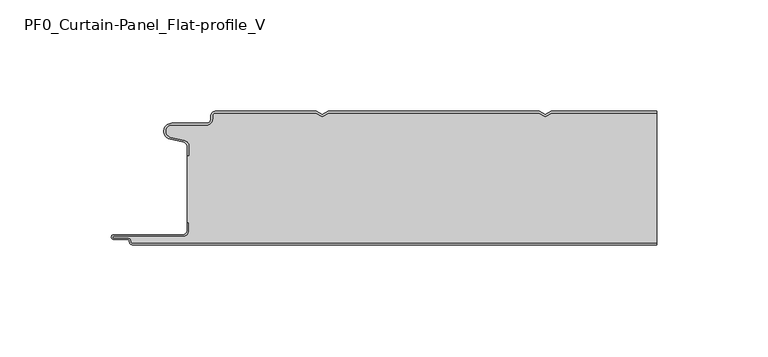
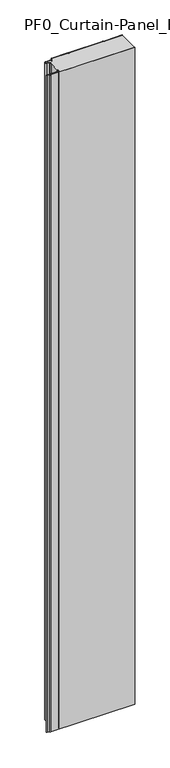
"""IFC4 building model written with IfcOpenShell, lengths in millimetres: plate geometry, PF0_Curtain-Panel_Flat-profile_V."""

from ifc_helpers import new_model, si_unit, point, frame_2d, origin, origin_with_axes, place, context, project, spatial, polyline, circle_curve, trimmed, segment, composite_curve, outline, extrude, source, transform, mapped, element, save


def pf0_curtain_panel_flat_profile_v_9dc8aae9(model_context):
    return source(origin(), model_context, "Body", "SweptSolid", [
        extrude(outline(composite_curve([segment(trimmed(circle_curve(frame_2d((-102.0119739, -15.878557)), 2.0), [point((-100.0119739, -15.878557))], [point((-101.5620718, -13.9298169))], True, "CARTESIAN"), True, "CONTINUOUS"), segment(polyline([(-101.5620718, -13.9298169), (-107.7217978, -12.507732)]), True, "CONTINUOUS"), segment(trimmed(circle_curve(frame_2d((-106.9119739, -9.0)), 3.6), [point((-107.7217978, -12.507732))], [point((-106.9119739, -5.4))], False, "CARTESIAN"), True, "CONTINUOUS"), segment(polyline([(-106.9119739, -5.4), (-91.4119739, -5.4)]), True, "CONTINUOUS"), segment(trimmed(circle_curve(frame_2d((-91.4119739, -3.4)), 2.0), [point((-91.4119739, -5.4))], [point((-89.4119739, -3.4))], True, "CARTESIAN"), True, "CONTINUOUS"), segment(polyline([(-89.4119739, -3.4), (-89.4119739, -2.0)]), True, "CONTINUOUS"), segment(trimmed(circle_curve(frame_2d((-87.4119739, -2.0)), 2.0), [point((-89.4119739, -2.0))], [point((-87.4119739, 0.0))], False, "CARTESIAN"), True, "CONTINUOUS"), segment(polyline([(-87.4119739, 0.0), (-42.1119734, 0.0), (-39.4119739, -1.5588455), (-36.7119745, 0.0), (57.8880266, 0.0), (60.5880261, -1.5588455), (63.2880255, 0.0), (110.6119739, 0.0), (110.6119739, -0.8), (63.5023849, -0.8), (60.5880261, -2.482606), (57.6736672, -0.8), (-36.4976151, -0.8), (-39.4119739, -2.482606), (-42.3263328, -0.8), (-87.4119739, -0.8)]), True, "CONTINUOUS"), segment(trimmed(circle_curve(frame_2d((-87.4119739, -2.0)), 1.2), [point((-87.4119739, -0.8))], [point((-88.6119739, -2.0))], True, "CARTESIAN"), True, "CONTINUOUS"), segment(polyline([(-88.6119739, -2.0), (-88.6119739, -3.4)]), True, "CONTINUOUS"), segment(trimmed(circle_curve(frame_2d((-91.4119739, -3.4)), 2.8), [point((-88.6119739, -3.4))], [point((-91.4119739, -6.2))], False, "CARTESIAN"), True, "CONTINUOUS"), segment(polyline([(-91.4119739, -6.2), (-106.9119739, -6.2)]), True, "CONTINUOUS"), segment(trimmed(circle_curve(frame_2d((-106.9119739, -9.0)), 2.8), [point((-106.9119739, -6.2))], [point((-107.541837, -11.7282362))], True, "CARTESIAN"), True, "CONTINUOUS"), segment(polyline([(-107.541837, -11.7282362), (-101.3821109, -13.150321)]), True, "CONTINUOUS"), segment(trimmed(circle_curve(frame_2d((-102.0119739, -15.878557)), 2.8), [point((-101.3821109, -13.150321))], [point((-99.2119739, -15.878557))], False, "CARTESIAN"), True, "CONTINUOUS"), segment(polyline([(-99.2119739, -15.878557), (-99.2119739, -20.0), (-100.0119739, -20.0), (-100.0119739, -15.878557)]), True, "CONTINUOUS")], self_intersect=False)), origin_with_axes(), (0.0, 0.0, 1.0), 1945.7507136),
        extrude(outline(composite_curve([segment(polyline([(-99.2119739, -50.0), (-100.0119739, -50.0), (-100.0119739, -20.0), (-99.2119739, -20.0), (-99.2119739, -15.878557)]), True, "CONTINUOUS"), segment(trimmed(circle_curve(frame_2d((-102.0119739, -15.878557)), 2.8), [point((-99.2119739, -15.878557))], [point((-101.3821109, -13.1503208))], True, "CARTESIAN"), True, "CONTINUOUS"), segment(polyline([(-101.3821109, -13.1503208), (-107.5418369, -11.7282362)]), True, "CONTINUOUS"), segment(trimmed(circle_curve(frame_2d((-106.9119739, -9.0)), 2.8), [point((-107.5418369, -11.7282362))], [point((-106.9119739, -6.2))], False, "CARTESIAN"), True, "CONTINUOUS"), segment(polyline([(-106.9119739, -6.2), (-91.4119739, -6.2)]), True, "CONTINUOUS"), segment(trimmed(circle_curve(frame_2d((-91.4119739, -3.4)), 2.8), [point((-91.4119739, -6.2))], [point((-88.6119739, -3.4))], True, "CARTESIAN"), True, "CONTINUOUS"), segment(polyline([(-88.6119739, -3.4), (-88.6119739, -2.0)]), True, "CONTINUOUS"), segment(trimmed(circle_curve(frame_2d((-87.4119739, -2.0)), 1.2), [point((-88.6119739, -2.0))], [point((-87.4119739, -0.8))], False, "CARTESIAN"), True, "CONTINUOUS"), segment(polyline([(-87.4119739, -0.8), (-42.3263328, -0.8), (-39.4119739, -2.482606), (-36.4976151, -0.8), (57.6736672, -0.8), (60.5880261, -2.482606), (63.5023849, -0.8), (110.6119739, -0.8), (110.6119739, -59.2), (-124.4119739, -59.2)]), True, "CONTINUOUS"), segment(trimmed(circle_curve(frame_2d((-124.4119739, -58.4)), 0.8), [point((-124.4119739, -59.2))], [point((-125.2119739, -58.4))], False, "CARTESIAN"), True, "CONTINUOUS"), segment(trimmed(circle_curve(frame_2d((-126.9119739, -58.6133333)), 1.7133333), [point((-125.2119739, -58.4))], [point((-126.9119739, -56.9))], True, "CARTESIAN"), True, "CONTINUOUS"), segment(polyline([(-126.9119739, -56.9), (-132.8820051, -56.9)]), True, "CONTINUOUS"), segment(trimmed(circle_curve(frame_2d((-132.8820051, -56.6)), 0.3), [point((-132.8820051, -56.9))], [point((-132.8820051, -56.3))], False, "CARTESIAN"), True, "CONTINUOUS"), segment(polyline([(-132.8820051, -56.3), (-102.0119739, -56.3)]), True, "CONTINUOUS"), segment(trimmed(circle_curve(frame_2d((-102.0119739, -53.5)), 2.8), [point((-102.0119739, -56.3))], [point((-99.2119739, -53.5))], True, "CARTESIAN"), True, "CONTINUOUS"), segment(polyline([(-99.2119739, -53.5), (-99.2119739, -50.0)]), True, "CONTINUOUS")], self_intersect=False)), origin_with_axes(), (0.0, 0.0, 1.0), 1945.7507136),
        extrude(outline(composite_curve([segment(polyline([(-100.0119739, -50.0), (-99.2119739, -50.0), (-99.2119739, -53.5)]), True, "CONTINUOUS"), segment(trimmed(circle_curve(frame_2d((-102.0119739, -53.5)), 2.8), [point((-99.2119739, -53.5))], [point((-102.0119739, -56.3))], False, "CARTESIAN"), True, "CONTINUOUS"), segment(polyline([(-102.0119739, -56.3), (-132.8820051, -56.3)]), True, "CONTINUOUS"), segment(trimmed(circle_curve(frame_2d((-132.8820051, -56.6)), 0.3), [point((-132.8820051, -56.3))], [point((-132.8820051, -56.9))], True, "CARTESIAN"), True, "CONTINUOUS"), segment(polyline([(-132.8820051, -56.9), (-126.9119739, -56.9)]), True, "CONTINUOUS"), segment(trimmed(circle_curve(frame_2d((-126.9119739, -58.6133333)), 1.7133333), [point((-126.9119739, -56.9))], [point((-125.2119739, -58.4))], False, "CARTESIAN"), True, "CONTINUOUS"), segment(trimmed(circle_curve(frame_2d((-124.4119739, -58.4)), 0.8), [point((-125.2119739, -58.4))], [point((-124.4119739, -59.2))], True, "CARTESIAN"), True, "CONTINUOUS"), segment(polyline([(-124.4119739, -59.2), (110.6119739, -59.2), (110.6119739, -60.0), (-124.4119739, -60.0)]), True, "CONTINUOUS"), segment(trimmed(circle_curve(frame_2d((-124.4119739, -58.4)), 1.6), [point((-124.4119739, -60.0))], [point((-126.0119739, -58.4))], False, "CARTESIAN"), True, "CONTINUOUS"), segment(trimmed(circle_curve(frame_2d((-126.9119739, -58.4)), 0.9), [point((-126.0119739, -58.4))], [point((-126.9119739, -57.5))], True, "CARTESIAN"), True, "CONTINUOUS"), segment(polyline([(-126.9119739, -57.5), (-133.0119739, -57.5)]), True, "CONTINUOUS"), segment(trimmed(circle_curve(frame_2d((-133.0119739, -56.5)), 1.0), [point((-133.0119739, -57.5))], [point((-133.0119739, -55.5))], False, "CARTESIAN"), True, "CONTINUOUS"), segment(polyline([(-133.0119739, -55.5), (-102.0119739, -55.5)]), True, "CONTINUOUS"), segment(trimmed(circle_curve(frame_2d((-102.0119739, -53.5)), 2.0), [point((-102.0119739, -55.5))], [point((-100.0119739, -53.5))], True, "CARTESIAN"), True, "CONTINUOUS"), segment(polyline([(-100.0119739, -53.5), (-100.0119739, -50.0)]), True, "CONTINUOUS")], self_intersect=False)), origin_with_axes(), (0.0, 0.0, 1.0), 1945.7507136),
    ])


if __name__ == "__main__":
    model = new_model("IFC4")
    model_context = context("Model", 3, world=origin())
    ifc_project = project(units=[si_unit("LENGTHUNIT", "METRE", prefix="MILLI")], contexts=[model_context])
    site = spatial("IfcSite", under=ifc_project)
    building = spatial("IfcBuilding", under=site)
    placement = place(None, origin())
    pf0_curtain_panel_flat_profile_v_shape = pf0_curtain_panel_flat_profile_v_9dc8aae9(model_context)
    element("IfcPlate", 1, ObjectType="PF0_Curtain-Panel_Flat-profile_V", at=placement, inside=building, context=model_context, shape_type="MappedRepresentation", body=[
        mapped(pf0_curtain_panel_flat_profile_v_shape, transform((0.0, 0.0, 0.0), x_axis=(1.0, 0.0, 0.0), y_axis=(0.0, 1.0, 0.0), z_axis=(0.0, 0.0, 1.0))),
    ])
    save(model, "model.ifc")
